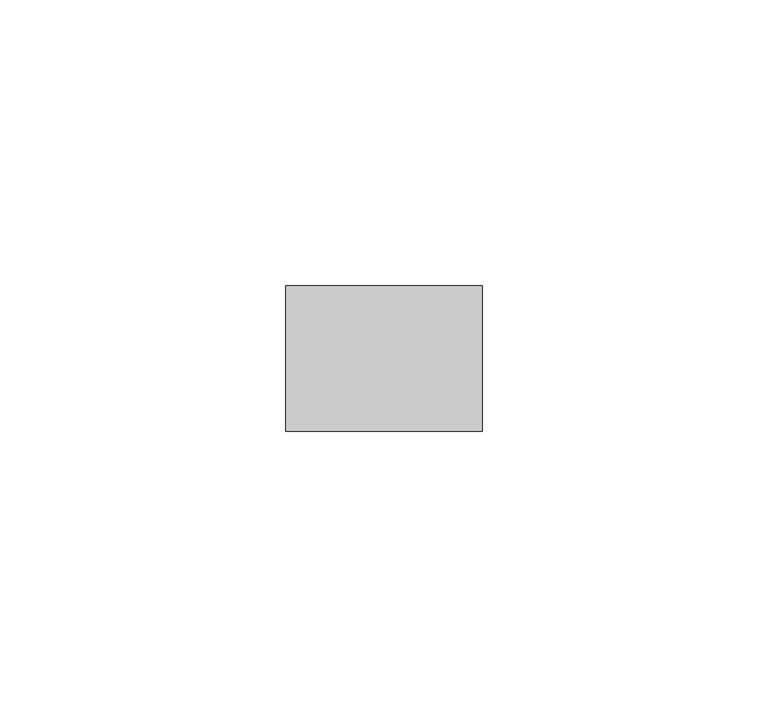
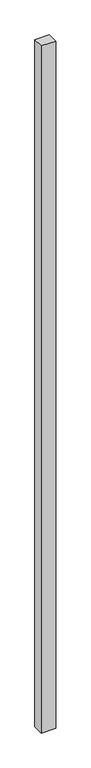
"""IFC4 building model written with IfcOpenShell, lengths in millimetres: plate geometry."""

from ifc_helpers import new_model, si_unit, origin, origin_with_axes, place, context, project, spatial, polyline, outline, extrude, source, transform, mapped, element, save


def plate_4f79f6d5(model_context):
    return source(origin(), model_context, "Body", "SweptSolid", [
        extrude(outline(polyline([(17.1340206, -12.7), (-17.1340206, -12.7), (-17.1340206, 12.7), (17.1340206, 12.7), (17.1340206, -12.7)])), origin_with_axes(), (0.0, 0.0, 1.0), 1708.8912252),
    ])


if __name__ == "__main__":
    model = new_model("IFC4")
    model_context = context("Model", 3, world=origin())
    ifc_project = project(units=[si_unit("LENGTHUNIT", "METRE", prefix="MILLI")], contexts=[model_context])
    site = spatial("IfcSite", under=ifc_project)
    building = spatial("IfcBuilding", under=site)
    placement = place(None, origin())
    plate_shape = plate_4f79f6d5(model_context)
    element("IfcPlate", 1, at=placement, inside=building, context=model_context, shape_type="MappedRepresentation", body=[
        mapped(plate_shape, transform((0.0, 0.0, 0.0), x_axis=(1.0, 0.0, 0.0), y_axis=(0.0, 1.0, 0.0), z_axis=(0.0, 0.0, 1.0))),
    ])
    save(model, "model.ifc")
